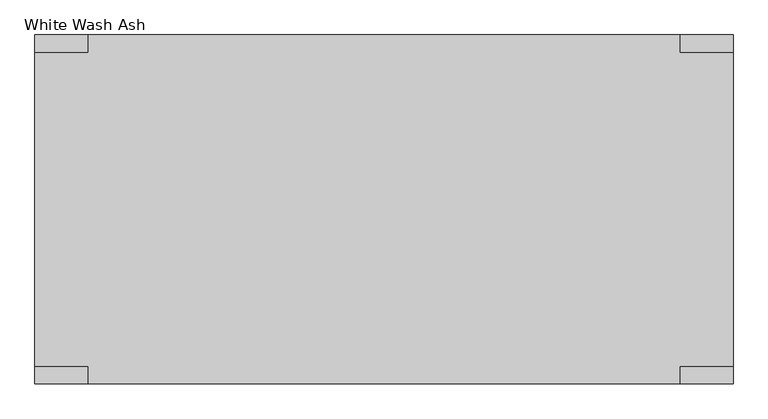
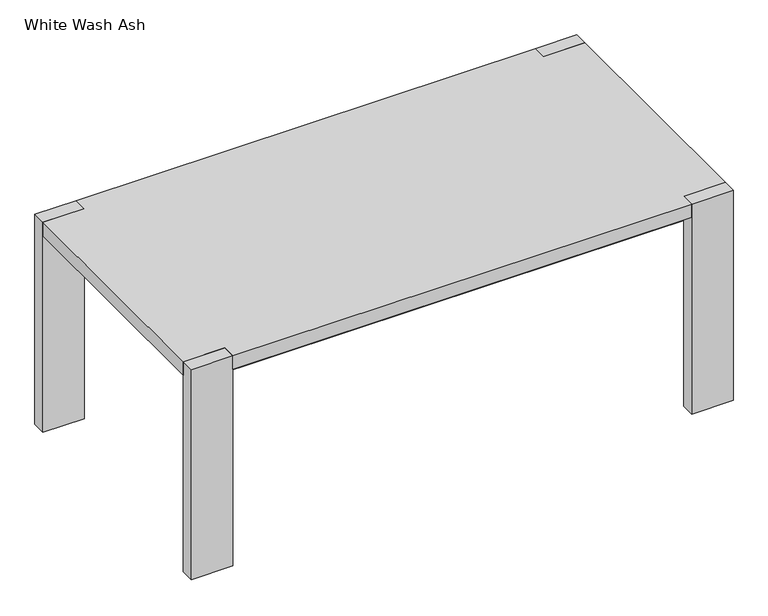
"""IFC4 building model written with IfcOpenShell, lengths in millimetres: furniture geometry, White Wash Ash."""

import ifcopenshell
import ifcopenshell.guid

model = None  # the IFC model being written
_history = None  # IfcOwnerHistory: only IFC2X3 demands one
_inside = {}  # id of a spatial element -> (the spatial element, [elements in it])
_under = {}  # id of a project, library or spatial element -> (it, [spatial elements below it])
_declared = {}  # id of a project -> (the project, [libraries it declares])
_typed = {}  # id of a type object -> (the type object, [elements of that type])
_made_of = {}  # id of a material, layer set ... -> (it, [elements and type objects made of it])


def new_model(schema):
    """Start an empty IFC model of exactly this schema.

    Asked for "IFC4X3", IfcOpenShell would pick the latest addendum, in which some entities
    have other attributes; the version numbers below select the first issue.
    IFC2X3 requires an IfcOwnerHistory on every rooted entity: one is made here for all.
    """
    global model, _history
    if schema == "IFC4X3":
        model = ifcopenshell.file(schema_version=(4, 3, 0, 0))
    else:
        model = ifcopenshell.file(schema=schema)
    _inside.clear()
    _under.clear()
    _declared.clear()
    _typed.clear()
    _made_of.clear()
    _history = None
    if model.schema == "IFC2X3":
        org = make("IfcOrganization", Name="unknown")
        user = make(
            "IfcPersonAndOrganization",
            ThePerson=make("IfcPerson", FamilyName="unknown"),
            TheOrganization=org,
        )
        app = make(
            "IfcApplication",
            ApplicationDeveloper=org,
            Version="unknown",
            ApplicationFullName="unknown",
            ApplicationIdentifier="unknown",
        )
        _history = make(
            "IfcOwnerHistory",
            OwningUser=user,
            OwningApplication=app,
            ChangeAction="ADDED",
            CreationDate=0,
        )
    return model


def make(cls, **values):
    """One entity of the class cls with the attributes given. An attribute that is None is left unset."""
    return model.create_entity(
        cls, **{name: value for name, value in values.items() if value is not None}
    )


def rooted(cls, **values):
    """An entity with a GlobalId (a new one), such as an element, a storey or a relation."""
    return make(cls, GlobalId=ifcopenshell.guid.new(), OwnerHistory=_history, **values)


def si_unit(unit_type, name, prefix=None):
    """IfcSIUnit, for example si_unit("LENGTHUNIT", "METRE", prefix="MILLI")."""
    return make("IfcSIUnit", UnitType=unit_type, Prefix=prefix, Name=name)


def assignment(units):
    """IfcUnitAssignment: the units of a project."""
    return None if units is None else make("IfcUnitAssignment", Units=units)


def point(xyz):
    """IfcCartesianPoint."""
    return None if xyz is None else make("IfcCartesianPoint", Coordinates=xyz)


def direction(xyz):
    """IfcDirection."""
    return None if xyz is None else make("IfcDirection", DirectionRatios=xyz)


def frame(location, z_axis=None, x_axis=None):
    """IfcAxis2Placement3D, a coordinate frame: its origin and axes. An axis left out is left unset."""
    return make(
        "IfcAxis2Placement3D",
        Location=point(location),
        Axis=direction(z_axis),
        RefDirection=direction(x_axis),
    )


def frame_2d(location, x_axis=None):
    """IfcAxis2Placement2D, a coordinate frame in the plane: its origin and x axis."""
    return make(
        "IfcAxis2Placement2D", Location=point(location), RefDirection=direction(x_axis)
    )


def origin():
    """The frame at (0, 0, 0) with its axes left unset."""
    return frame((0.0, 0.0, 0.0))


def origin_with_axes():
    """The frame at (0, 0, 0) with the z axis (0, 0, 1) and the x axis (1, 0, 0) written out."""
    return frame((0.0, 0.0, 0.0), z_axis=(0.0, 0.0, 1.0), x_axis=(1.0, 0.0, 0.0))


def place(relative_to, where):
    """IfcLocalPlacement: puts the frame where relative to a parent placement (None: the world)."""
    return make(
        "IfcLocalPlacement", PlacementRelTo=relative_to, RelativePlacement=where
    )


def context(
    kind, dimensions, precision=None, world=None, true_north=None, identifier=None
):
    """IfcGeometricRepresentationContext, for example the 3D "Model" context."""
    return make(
        "IfcGeometricRepresentationContext",
        ContextIdentifier=identifier,
        ContextType=kind,
        CoordinateSpaceDimension=dimensions,
        Precision=precision,
        WorldCoordinateSystem=world,
        TrueNorth=true_north,
    )


def project(units=None, contexts=None):
    """IfcProject with its units and contexts."""
    return rooted(
        "IfcProject",
        Name="project",
        RepresentationContexts=contexts,
        UnitsInContext=assignment(units),
    )


def spatial(cls, under=None, at=None, **own):
    """A site, building, storey or space (cls), placed at a placement, below another one or the project."""
    s = rooted(cls, ObjectPlacement=at, **own)
    if under is not None:
        _under.setdefault(under.id(), (under, []))[1].append(s)
    return s


def polyline(points):
    """IfcPolyline through the points."""
    return make("IfcPolyline", Points=[point(p) for p in points])


def circle_curve(where, radius):
    """IfcCircle in the frame where."""
    return make("IfcCircle", Position=where, Radius=radius)


def trimmed(basis, trim1, trim2, sense, master):
    """IfcTrimmedCurve: the piece of a basis curve between two trims."""
    return make(
        "IfcTrimmedCurve",
        BasisCurve=basis,
        Trim1=trim1,
        Trim2=trim2,
        SenseAgreement=sense,
        MasterRepresentation=master,
    )


def segment(curve, same_sense, transition):
    """IfcCompositeCurveSegment."""
    return make(
        "IfcCompositeCurveSegment",
        Transition=transition,
        SameSense=same_sense,
        ParentCurve=curve,
    )


def composite_curve(segments, self_intersect=None):
    """IfcCompositeCurve: segments joined end to end."""
    return make("IfcCompositeCurve", Segments=segments, SelfIntersect=self_intersect)


def outline(outer, holes=None, kind="AREA"):
    """IfcArbitraryClosedProfileDef: a profile drawn as a closed curve; with holes, ...WithVoids."""
    if holes is None:
        return make("IfcArbitraryClosedProfileDef", ProfileType=kind, OuterCurve=outer)
    return make(
        "IfcArbitraryProfileDefWithVoids",
        ProfileType=kind,
        OuterCurve=outer,
        InnerCurves=holes,
    )


def extrude(swept, where, along, depth):
    """IfcExtrudedAreaSolid: the profile swept, set in the frame where, extruded along a direction by depth."""
    return make(
        "IfcExtrudedAreaSolid",
        SweptArea=swept,
        Position=where,
        ExtrudedDirection=direction(along),
        Depth=depth,
    )


def shape(context_of_items, identifier, shape_type, items):
    """IfcShapeRepresentation: the items that make up one representation, for example the "Body"."""
    return make(
        "IfcShapeRepresentation",
        ContextOfItems=context_of_items,
        RepresentationIdentifier=identifier,
        RepresentationType=shape_type,
        Items=items,
    )


def source(mapping_origin, context_of_items, identifier, shape_type, items):
    """IfcRepresentationMap: a shape defined once, which mapped items show again and again."""
    return make(
        "IfcRepresentationMap",
        MappingOrigin=mapping_origin,
        MappedRepresentation=shape(context_of_items, identifier, shape_type, items),
    )


def transform(
    local_origin,
    x_axis=None,
    y_axis=None,
    z_axis=None,
    scale=None,
    scale2=None,
    scale3=None,
    uniform=True,
):
    """IfcCartesianTransformationOperator3D, or its non-uniform kind. x_axis, y_axis, z_axis: its Axis1, 2, 3."""
    if uniform:
        return make(
            "IfcCartesianTransformationOperator3D",
            Axis1=direction(x_axis),
            Axis2=direction(y_axis),
            LocalOrigin=point(local_origin),
            Scale=scale,
            Axis3=direction(z_axis),
        )
    return make(
        "IfcCartesianTransformationOperator3DnonUniform",
        Axis1=direction(x_axis),
        Axis2=direction(y_axis),
        LocalOrigin=point(local_origin),
        Scale=scale,
        Axis3=direction(z_axis),
        Scale2=scale2,
        Scale3=scale3,
    )


def mapped(mapping_source, mapping_target):
    """IfcMappedItem: shows the shape of a source again, moved by a transform."""
    return make(
        "IfcMappedItem", MappingSource=mapping_source, MappingTarget=mapping_target
    )


def made_of(thing, what):
    """Note that an element or type object is made of a material, layer set ...; save() writes the relation."""
    if what is not None:
        _made_of.setdefault(what.id(), (what, []))[1].append(thing)
    return thing


def element(
    cls,
    number,
    at=None,
    inside=None,
    cuts=None,
    type_object=None,
    material=None,
    context=None,
    identifier="Body",
    shape_type=None,
    held_by="IfcProductDefinitionShape",
    body=None,
    shapes=None,
    **own,
):
    """One element of the class cls, such as IfcWall. Its Tag is "e" and its number.

    at: its placement. inside: the storey or other place that contains it. cuts: it is an
    opening in that element (IfcRelVoidsElement). A single representation is given by context,
    identifier, shape_type and body (its items); several are given by shapes. held_by: the class
    of the entity that holds the representations. save() writes the other relations.
    """
    e = rooted(cls, Tag="e%d" % number, ObjectPlacement=at, **own)
    if body is not None:
        shapes = [shape(context, identifier, shape_type, body)]
    if shapes is not None:
        e.Representation = make(held_by, Representations=shapes)
    if inside is not None:
        _inside.setdefault(inside.id(), (inside, []))[1].append(e)
    if cuts is not None:
        rooted(
            "IfcRelVoidsElement", RelatingBuildingElement=cuts, RelatedOpeningElement=e
        )
    if type_object is not None:
        _typed.setdefault(type_object.id(), (type_object, []))[1].append(e)
    return made_of(e, material)


def aggregate(whole, parts):
    """IfcRelAggregates: a whole, such as a stair, and the parts it consists of."""
    return rooted("IfcRelAggregates", RelatingObject=whole, RelatedObjects=parts)


def save(model, path):
    """Write the relations noted so far, then the file.

    IfcRelAggregates (storeys below a building ...), IfcRelContainedInSpatialStructure (elements
    in a storey), IfcRelDefinesByType, IfcRelAssociatesMaterial and IfcRelDeclares: one each for
    every whole, place, type object, material and project.
    """
    for whole, parts in _under.values():
        aggregate(whole, parts)
    for where, things in _inside.values():
        rooted(
            "IfcRelContainedInSpatialStructure",
            RelatedElements=things,
            RelatingStructure=where,
        )
    for kind, things in _typed.values():
        rooted("IfcRelDefinesByType", RelatedObjects=things, RelatingType=kind)
    for what, things in _made_of.values():
        rooted("IfcRelAssociatesMaterial", RelatedObjects=things, RelatingMaterial=what)
    for by, libraries in _declared.values():
        rooted("IfcRelDeclares", RelatingContext=by, RelatedDefinitions=libraries)
    model.write(path)


def white_wash_ash_51372745(model_context):
    return source(origin(), model_context, "Body", "SweptSolid", [
        extrude(outline(composite_curve([segment(trimmed(circle_curve(frame_2d((-894.9999926, -434.0)), 6.9998878), [point((-901.9998805, -434.0))], [point((-888.0001048, -434.0))], False, "CARTESIAN"), True, "CONTINUOUS"), segment(trimmed(circle_curve(frame_2d((-894.9999926, -434.0)), 6.9998878), [point((-888.0001048, -434.0))], [point((-901.9998805, -434.0))], False, "CARTESIAN"), True, "CONTINUOUS")], self_intersect=False)), origin_with_axes(), (0.0, 0.0, 1.0), 3.8801139),
        extrude(outline(composite_curve([segment(trimmed(circle_curve(frame_2d((-795.0000074, -434.0)), 6.9998878), [point((-788.0001195, -434.0))], [point((-801.9998952, -434.0))], False, "CARTESIAN"), True, "CONTINUOUS"), segment(trimmed(circle_curve(frame_2d((-795.0000074, -434.0)), 6.9998878), [point((-801.9998952, -434.0))], [point((-788.0001195, -434.0))], False, "CARTESIAN"), True, "CONTINUOUS")], self_intersect=False)), origin_with_axes(), (0.0, 0.0, 1.0), 3.8801139),
        extrude(outline(composite_curve([segment(trimmed(circle_curve(frame_2d((-894.9999926, 434.0)), 6.9998878), [point((-901.9998805, 434.0))], [point((-888.0001048, 434.0))], False, "CARTESIAN"), True, "CONTINUOUS"), segment(trimmed(circle_curve(frame_2d((-894.9999926, 434.0)), 6.9998878), [point((-888.0001048, 434.0))], [point((-901.9998805, 434.0))], False, "CARTESIAN"), True, "CONTINUOUS")], self_intersect=False)), origin_with_axes(), (0.0, 0.0, 1.0), 3.8801139),
        extrude(outline(composite_curve([segment(trimmed(circle_curve(frame_2d((-795.0000074, 434.0)), 6.9998878), [point((-788.0001195, 434.0))], [point((-801.9998952, 434.0))], False, "CARTESIAN"), True, "CONTINUOUS"), segment(trimmed(circle_curve(frame_2d((-795.0000074, 434.0)), 6.9998878), [point((-801.9998952, 434.0))], [point((-788.0001195, 434.0))], False, "CARTESIAN"), True, "CONTINUOUS")], self_intersect=False)), origin_with_axes(), (0.0, 0.0, 1.0), 3.8801139),
        extrude(outline(composite_curve([segment(trimmed(circle_curve(frame_2d((894.9999926, -434.0)), 6.9998878), [point((901.9998805, -434.0))], [point((888.0001048, -434.0))], False, "CARTESIAN"), True, "CONTINUOUS"), segment(trimmed(circle_curve(frame_2d((894.9999926, -434.0)), 6.9998878), [point((888.0001048, -434.0))], [point((901.9998805, -434.0))], False, "CARTESIAN"), True, "CONTINUOUS")], self_intersect=False)), origin_with_axes(), (0.0, 0.0, 1.0), 3.8801139),
        extrude(outline(composite_curve([segment(trimmed(circle_curve(frame_2d((795.0000074, -434.0)), 6.9998878), [point((788.0001195, -434.0))], [point((801.9998952, -434.0))], False, "CARTESIAN"), True, "CONTINUOUS"), segment(trimmed(circle_curve(frame_2d((795.0000074, -434.0)), 6.9998878), [point((801.9998952, -434.0))], [point((788.0001195, -434.0))], False, "CARTESIAN"), True, "CONTINUOUS")], self_intersect=False)), origin_with_axes(), (0.0, 0.0, 1.0), 3.8801139),
        extrude(outline(composite_curve([segment(trimmed(circle_curve(frame_2d((894.9999926, 434.0)), 6.9998878), [point((901.9998805, 434.0))], [point((888.0001048, 434.0))], False, "CARTESIAN"), True, "CONTINUOUS"), segment(trimmed(circle_curve(frame_2d((894.9999926, 434.0)), 6.9998878), [point((888.0001048, 434.0))], [point((901.9998805, 434.0))], False, "CARTESIAN"), True, "CONTINUOUS")], self_intersect=False)), origin_with_axes(), (0.0, 0.0, 1.0), 3.8801139),
        extrude(outline(composite_curve([segment(trimmed(circle_curve(frame_2d((795.0000074, 434.0)), 6.9998878), [point((788.0001195, 434.0))], [point((801.9998952, 434.0))], False, "CARTESIAN"), True, "CONTINUOUS"), segment(trimmed(circle_curve(frame_2d((795.0000074, 434.0)), 6.9998878), [point((801.9998952, 434.0))], [point((788.0001195, 434.0))], False, "CARTESIAN"), True, "CONTINUOUS")], self_intersect=False)), origin_with_axes(), (0.0, 0.0, 1.0), 3.8801139),
        extrude(outline(polyline([(849.976, 410.5), (849.976, -410.5), (-849.976, -410.5), (-849.976, 410.5), (849.976, 410.5)]), holes=[polyline([(824.068, 384.592), (-824.068, 384.592), (-824.068, -384.592), (824.068, -384.592), (824.068, 384.592)])]), frame((0.0, 0.0, 665.9896932), z_axis=(0.0, 0.0, 1.0), x_axis=(1.0, 0.0, 0.0)), (0.0, 0.0, 1.0), 39.8904206),
        extrude(outline(polyline([(775.0, 457.5), (775.0, 410.5), (915.0, 410.5), (915.0, -410.5), (775.0, -410.5), (775.0, -457.5), (-775.0, -457.5), (-775.0, -410.5), (-915.0, -410.5), (-915.0, 410.5), (-775.0, 410.5), (-775.0, 457.5), (775.0, 457.5)])), frame((0.0, 0.0, 705.8801139), z_axis=(0.0, 0.0, 1.0), x_axis=(1.0, 0.0, 0.0)), (0.0, 0.0, 1.0), 48.0),
        extrude(outline(polyline([(-775.0, 457.5), (-775.0, 410.5), (-915.0, 410.5), (-915.0, 457.5), (-775.0, 457.5)])), frame((0.0, 0.0, 3.8801139), z_axis=(0.0, 0.0, 1.0), x_axis=(1.0, 0.0, 0.0)), (0.0, 0.0, 1.0), 750.0),
        extrude(outline(polyline([(-775.0, -410.5), (-775.0, -457.5), (-915.0, -457.5), (-915.0, -410.5), (-775.0, -410.5)])), frame((0.0, 0.0, 3.8801139), z_axis=(0.0, 0.0, 1.0), x_axis=(1.0, 0.0, 0.0)), (0.0, 0.0, 1.0), 750.0),
        extrude(outline(polyline([(775.0, 457.5), (915.0, 457.5), (915.0, 410.5), (775.0, 410.5), (775.0, 457.5)])), frame((0.0, 0.0, 3.8801139), z_axis=(0.0, 0.0, 1.0), x_axis=(1.0, 0.0, 0.0)), (0.0, 0.0, 1.0), 750.0),
        extrude(outline(polyline([(775.0, -410.5), (915.0, -410.5), (915.0, -457.5), (775.0, -457.5), (775.0, -410.5)])), frame((0.0, 0.0, 3.8801139), z_axis=(0.0, 0.0, 1.0), x_axis=(1.0, 0.0, 0.0)), (0.0, 0.0, 1.0), 750.0),
    ])


if __name__ == "__main__":
    model = new_model("IFC4")
    model_context = context("Model", 3, world=origin())
    ifc_project = project(units=[si_unit("LENGTHUNIT", "METRE", prefix="MILLI")], contexts=[model_context])
    site = spatial("IfcSite", under=ifc_project)
    building = spatial("IfcBuilding", under=site)
    placement = place(None, origin())
    white_wash_ash_shape = white_wash_ash_51372745(model_context)
    element("IfcFurniture", 1, ObjectType="White Wash Ash", at=placement, inside=building, context=model_context, shape_type="MappedRepresentation", body=[
        mapped(white_wash_ash_shape, transform((0.0, 0.0, 0.0), x_axis=(1.0, 0.0, 0.0), y_axis=(0.0, 1.0, 0.0), z_axis=(0.0, 0.0, 1.0))),
    ])
    save(model, "model.ifc")
